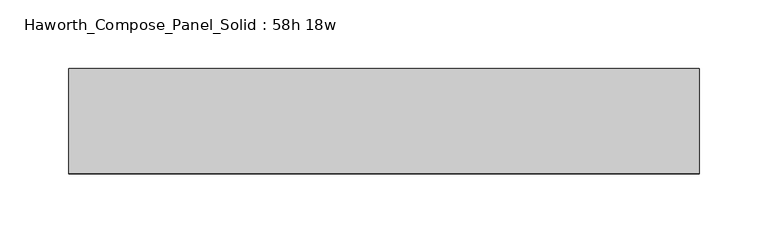
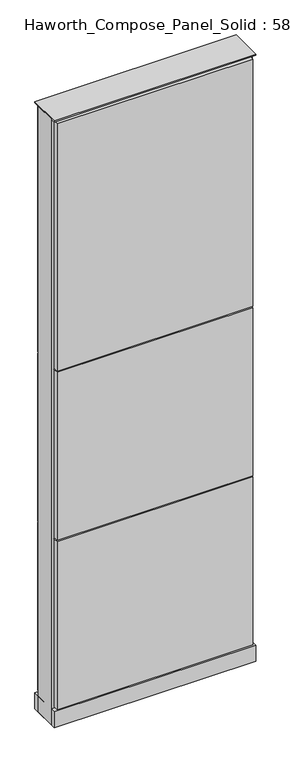
"""IFC4 building model written with IfcOpenShell, lengths in millimetres: furniture geometry, Haworth_Compose_Panel_Solid : 58h 18w."""

from ifc_helpers import new_model, si_unit, point, frame, frame_2d, origin, origin_with_axes, place, context, project, spatial, polyline, circle_curve, trimmed, segment, composite_curve, outline, extrude, source, transform, mapped, element, save


def haworth_compose_panel_solid_58h_18w_3b4c0a0d(model_context):
    return source(origin(), model_context, "Body", "SweptSolid", [
        extrude(outline(composite_curve([segment(trimmed(circle_curve(frame_2d((-149.9597098, 0.0)), 12.7), [point((-162.6597098, 0.0))], [point((-137.2597098, 0.0))], False, "CARTESIAN"), True, "CONTINUOUS"), segment(trimmed(circle_curve(frame_2d((-149.9597098, 0.0)), 12.7), [point((-137.2597098, 0.0))], [point((-162.6597098, 0.0))], False, "CARTESIAN"), True, "CONTINUOUS")], self_intersect=False)), origin_with_axes(), (0.0, 0.0, 1.0), 12.7),
        extrude(outline(composite_curve([segment(trimmed(circle_curve(frame_2d((154.8402902, 0.0)), 12.7), [point((142.1402902, 0.0))], [point((167.5402902, 0.0))], False, "CARTESIAN"), True, "CONTINUOUS"), segment(trimmed(circle_curve(frame_2d((154.8402902, 0.0)), 12.7), [point((167.5402902, 0.0))], [point((142.1402902, 0.0))], False, "CARTESIAN"), True, "CONTINUOUS")], self_intersect=False)), origin_with_axes(), (0.0, 0.0, 1.0), 12.7),
        extrude(outline(polyline([(224.6902902, 38.1), (224.6902902, 25.4), (-219.8097098, 25.4), (-219.8097098, 38.1), (224.6902902, 38.1)])), frame((0.0, 0.0, 866.775), z_axis=(0.0, 0.0, 1.0), x_axis=(1.0, 0.0, 0.0)), (0.0, 0.0, 1.0), 593.725),
        extrude(outline(polyline([(224.6902902, 38.1), (224.6902902, 25.4), (-219.8097098, 25.4), (-219.8097098, 38.1), (224.6902902, 38.1)])), frame((0.0, 0.0, 460.375), z_axis=(0.0, 0.0, 1.0), x_axis=(1.0, 0.0, 0.0)), (0.0, 0.0, 1.0), 403.225),
        extrude(outline(polyline([(224.6902902, 38.1), (224.6902902, 25.4), (-219.8097098, 25.4), (-219.8097098, 38.1), (224.6902902, 38.1)])), frame((0.0, 0.0, 53.975), z_axis=(0.0, 0.0, 1.0), x_axis=(1.0, 0.0, 0.0)), (0.0, 0.0, 1.0), 403.225),
        extrude(outline(polyline([(224.6902902, -38.1), (-219.8097098, -38.1), (-219.8097098, -25.4), (224.6902902, -25.4), (224.6902902, -38.1)])), frame((0.0, 0.0, 866.775), z_axis=(0.0, 0.0, 1.0), x_axis=(1.0, 0.0, 0.0)), (0.0, 0.0, 1.0), 593.725),
        extrude(outline(polyline([(224.6902902, -38.1), (-219.8097098, -38.1), (-219.8097098, -25.4), (224.6902902, -25.4), (224.6902902, -38.1)])), frame((0.0, 0.0, 460.375), z_axis=(0.0, 0.0, 1.0), x_axis=(1.0, 0.0, 0.0)), (0.0, 0.0, 1.0), 403.225),
        extrude(outline(polyline([(224.6902902, -38.1), (-219.8097098, -38.1), (-219.8097098, -25.4), (224.6902902, -25.4), (224.6902902, -38.1)])), frame((0.0, 0.0, 53.975), z_axis=(0.0, 0.0, 1.0), x_axis=(1.0, 0.0, 0.0)), (0.0, 0.0, 1.0), 403.225),
        extrude(outline(polyline([(231.0402902, 25.4), (231.0402902, -25.4), (-226.1597098, -25.4), (-226.1597098, 25.4), (231.0402902, 25.4)])), frame((0.0, 0.0, 12.7), z_axis=(0.0, 0.0, 1.0), x_axis=(1.0, 0.0, 0.0)), (0.0, 0.0, 1.0), 1454.15),
        extrude(outline(polyline([(-226.1597098, -38.1), (-226.1597098, 38.1), (231.0402902, 38.1), (231.0402902, -38.1), (-226.1597098, -38.1)])), frame((0.0, 0.0, 12.7), z_axis=(0.0, 0.0, 1.0), x_axis=(1.0, 0.0, 0.0)), (0.0, 0.0, 1.0), 38.1),
        extrude(outline(polyline([(-226.1597098, -38.1), (-226.1597098, 38.1), (231.0402902, 38.1), (231.0402902, -38.1), (-226.1597098, -38.1)])), frame((0.0, 0.0, 1466.85), z_axis=(0.0, 0.0, 1.0), x_axis=(1.0, 0.0, 0.0)), (0.0, 0.0, 1.0), 3.175),
    ])


if __name__ == "__main__":
    model = new_model("IFC4")
    model_context = context("Model", 3, world=origin())
    ifc_project = project(units=[si_unit("LENGTHUNIT", "METRE", prefix="MILLI")], contexts=[model_context])
    site = spatial("IfcSite", under=ifc_project)
    building = spatial("IfcBuilding", under=site)
    placement = place(None, origin())
    haworth_compose_panel_solid_58h_18w_shape = haworth_compose_panel_solid_58h_18w_3b4c0a0d(model_context)
    element("IfcFurniture", 1, ObjectType="Haworth_Compose_Panel_Solid : 58h 18w", at=placement, inside=building, context=model_context, shape_type="MappedRepresentation", body=[
        mapped(haworth_compose_panel_solid_58h_18w_shape, transform((0.0, 0.0, 0.0), x_axis=(1.0, 0.0, 0.0), y_axis=(0.0, 1.0, 0.0), z_axis=(0.0, 0.0, 1.0))),
    ])
    save(model, "model.ifc")
